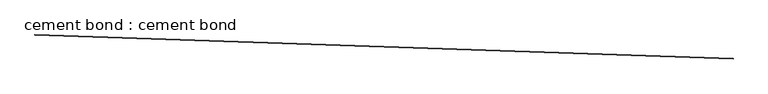
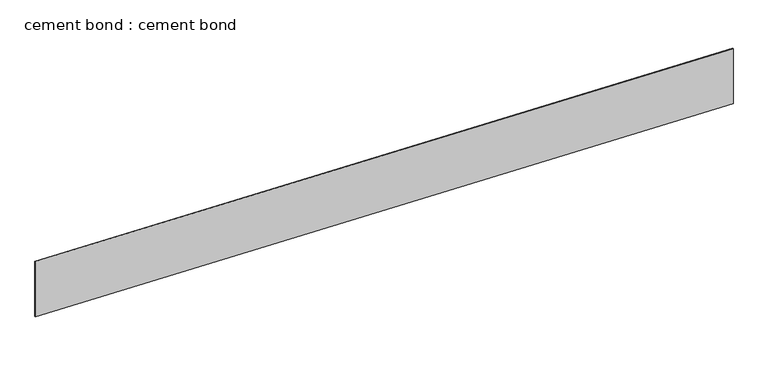
"""IFC4 building model written with IfcOpenShell, lengths in millimetres: proxy geometry, cement bond : cement bond."""

from ifc_helpers import new_model, si_unit, frame, origin, place, context, project, spatial, polyline, outline, extrude, source, transform, mapped, element, save


def cement_bond_cement_bond_ef1c11db(model_context):
    return source(origin(), model_context, "Body", "SweptSolid", [
        extrude(outline(polyline([(17307.4834313, -14544.1645916), (34366.2972943, -15127.9479655), (34365.8629317, -15140.6405354), (17307.0490687, -14556.8571614), (17307.4834313, -14544.1645916)])), frame((0.0, 0.0, 4260.0221586), z_axis=(0.0, 0.0, 1.0), x_axis=(1.0, 0.0, 0.0)), (0.0, 0.0, 1.0), 1454.3410494),
    ])


if __name__ == "__main__":
    model = new_model("IFC4")
    model_context = context("Model", 3, world=origin())
    ifc_project = project(units=[si_unit("LENGTHUNIT", "METRE", prefix="MILLI")], contexts=[model_context])
    site = spatial("IfcSite", under=ifc_project)
    building = spatial("IfcBuilding", under=site)
    placement = place(None, origin())
    cement_bond_cement_bond_shape = cement_bond_cement_bond_ef1c11db(model_context)
    element("IfcBuildingElementProxy", 1, Name="cement bond : cement bond", ObjectType="cement bond : cement bond", at=placement, inside=building, context=model_context, shape_type="MappedRepresentation", body=[
        mapped(cement_bond_cement_bond_shape, transform((0.0, 0.0, 0.0), x_axis=(1.0, 0.0, 0.0), y_axis=(0.0, 1.0, 0.0), z_axis=(0.0, 0.0, 1.0))),
    ])
    save(model, "model.ifc")
